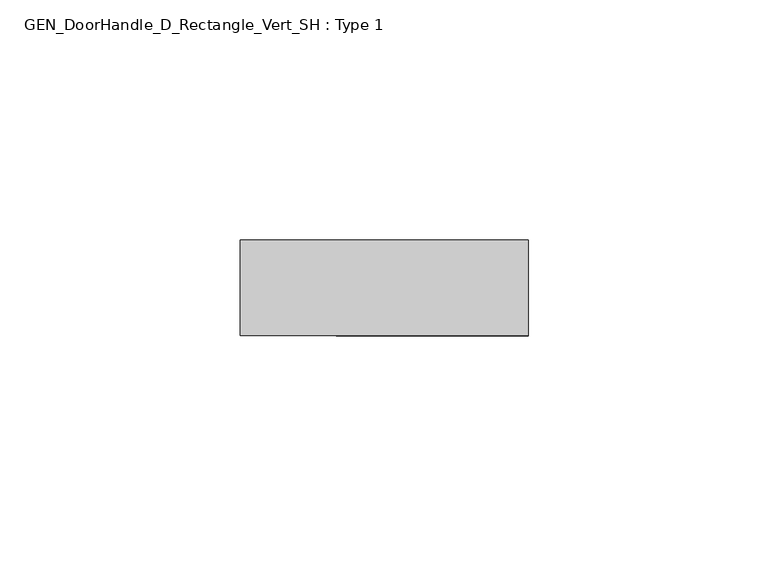
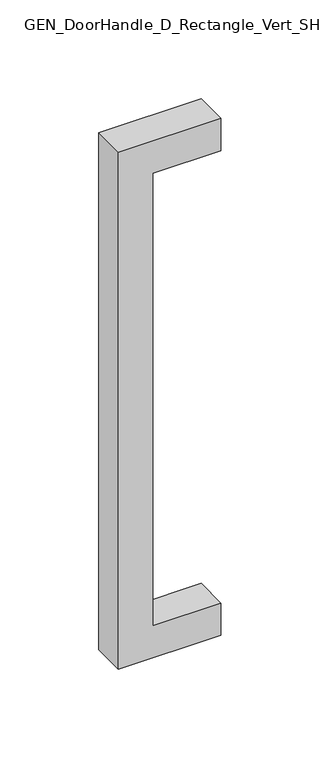
"""IFC4 building model written with IfcOpenShell, lengths in millimetres: proxy geometry, GEN_DoorHandle_D_Rectangle_Vert_SH : Type 1."""

from ifc_helpers import new_model, si_unit, frame, origin, place, context, project, spatial, polyline, outline, extrude, source, transform, mapped, element, save


def gen_doorhandle_d_rectangle_vert_sh_type_1_4f366ef4(model_context):
    return source(origin(), model_context, "Body", "SweptSolid", [
        extrude(outline(polyline([(10.0, 0.0), (10.0, -60.0), (-310.0, -60.0), (-310.0, 0.0), (-290.0, 0.0), (-290.0, -40.0), (-10.0, -40.0), (-10.0, 0.0), (10.0, 0.0)])), frame((0.0, -10.0, 0.0), z_axis=(0.0, 1.0, 0.0), x_axis=(0.0, 0.0, 1.0)), (0.0, 0.0, 1.0), 20.0),
    ])


if __name__ == "__main__":
    model = new_model("IFC4")
    model_context = context("Model", 3, world=origin())
    ifc_project = project(units=[si_unit("LENGTHUNIT", "METRE", prefix="MILLI")], contexts=[model_context])
    site = spatial("IfcSite", under=ifc_project)
    building = spatial("IfcBuilding", under=site)
    placement = place(None, origin())
    gen_doorhandle_d_rectangle_vert_sh_type_1_shape = gen_doorhandle_d_rectangle_vert_sh_type_1_4f366ef4(model_context)
    element("IfcBuildingElementProxy", 1, Name="GEN_DoorHandle_D_Rectangle_Vert_SH : Type 1", ObjectType="GEN_DoorHandle_D_Rectangle_Vert_SH : Type 1", at=placement, inside=building, context=model_context, shape_type="MappedRepresentation", body=[
        mapped(gen_doorhandle_d_rectangle_vert_sh_type_1_shape, transform((0.0, 0.0, 0.0), x_axis=(1.0, 0.0, 0.0), y_axis=(0.0, 1.0, 0.0), z_axis=(0.0, 0.0, 1.0))),
    ])
    save(model, "model.ifc")
